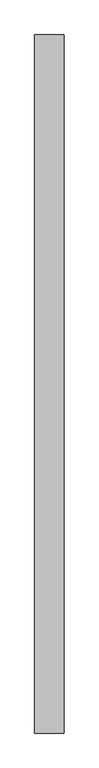
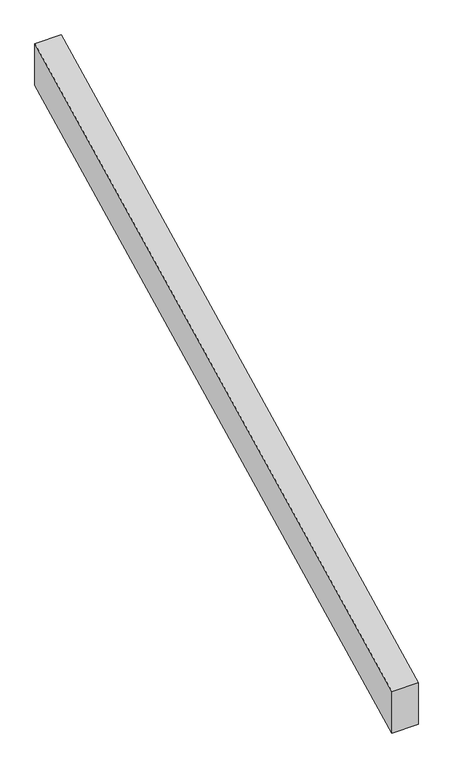
"""IFC4 building model written with IfcOpenShell, lengths in millimetres: railing geometry."""

from ifc_helpers import new_model, si_unit, frame, origin, place, context, project, spatial, polyline, outline, extrude, source, transform, mapped, element, save


def railing_55e674e1(model_context):
    return source(origin(), model_context, "Body", "SweptSolid", [
        extrude(outline(polyline([(8442.0220346, 164.8058101), (8442.0220346, 250.0), (9642.0220346, 850.0), (9642.0220346, 764.8058101), (8442.0220346, 164.8058101)])), frame((-250.8, 0.0, 0.0), z_axis=(1.0, 0.0, 0.0), x_axis=(0.0, 1.0, 0.0)), (0.0, 0.0, 1.0), 50.8),
    ])


if __name__ == "__main__":
    model = new_model("IFC4")
    model_context = context("Model", 3, world=origin())
    ifc_project = project(units=[si_unit("LENGTHUNIT", "METRE", prefix="MILLI")], contexts=[model_context])
    site = spatial("IfcSite", under=ifc_project)
    building = spatial("IfcBuilding", under=site)
    placement = place(None, origin())
    railing_shape = railing_55e674e1(model_context)
    element("IfcRailing", 1, at=placement, inside=building, context=model_context, shape_type="MappedRepresentation", body=[
        mapped(railing_shape, transform((0.0, 0.0, 0.0), x_axis=(1.0, 0.0, 0.0), y_axis=(0.0, 1.0, 0.0), z_axis=(0.0, 0.0, 1.0))),
    ])
    save(model, "model.ifc")
